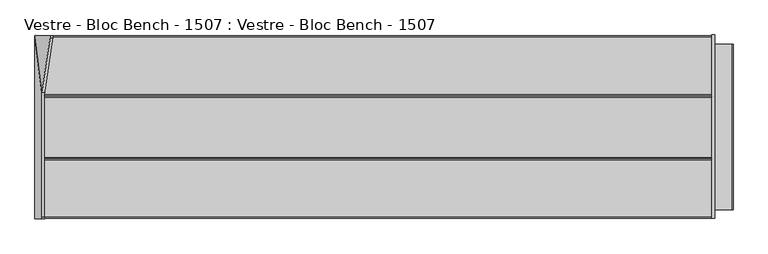
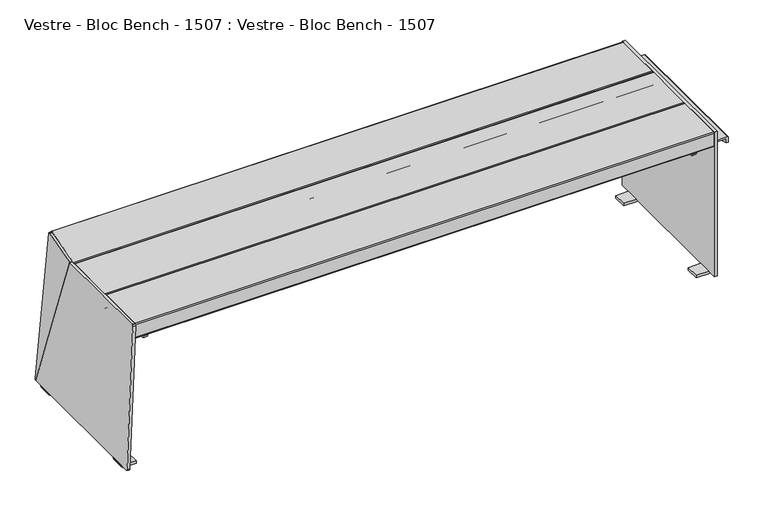
"""IFC4 building model written with IfcOpenShell, lengths in millimetres: furniture geometry, Vestre - Bloc Bench - 1507 : Vestre - Bloc Bench - 1507."""

from ifc_helpers import new_model, si_unit, point, frame, frame_2d, origin, place, context, project, spatial, polyline, circle_curve, ellipse_curve, trimmed, segment, composite_curve, outline, extrude, source, transform, mapped, element, save
from ifc_brep_helpers import plane_surface, cylinder_surface, revolved_surface, advanced_brep


def vestre_bloc_bench_1507_vestre_bloc_bench_1507_22fb252e(model_context):
    return source(origin(), model_context, "Body", "SolidModel", [
        advanced_brep(
        [(817.7140239, 205.3189256, 0.0), (817.7140239, 205.3189256, 8.0), (855.1742016, 205.3189256, 8.0), (863.1742016, 205.3189256, 8.0), (855.1744114, 205.3189256, 0.0002098), (817.7140239, 165.3189256, 0.0), (855.2323317, 165.3189256, 0.0), (863.1742016, 165.3189256, 8.0), (855.1742016, 165.3189256, 8.0), (817.7140239, 165.3189256, 8.0), (863.1742016, 235.8753492, 8.0), (863.1742016, 235.8753492, 458.0), (863.1742016, -233.5, 458.0), (863.1742016, -233.5, 8.0), (863.1742016, -205.3189256, 8.0), (863.1742016, -165.3189256, 8.0), (863.1742016, -211.5061851, 407.2390557), (863.1742016, -211.5061851, 413.2390557), (863.1742016, 211.5465998, 413.2390557), (863.1742016, 211.5465998, 407.2390557), (855.1742016, -165.3189256, 8.0), (855.1742016, -205.3189256, 8.0), (855.1742016, -233.5, 8.0), (855.1742016, -233.5, 458.0), (855.1742016, 235.8753492, 458.0), (855.1742016, 235.8753492, 8.0), (817.7140239, -205.3189256, 0.0), (855.2323317, -205.3189256, 0.0), (817.7140239, -205.3189256, 8.0), (817.7140239, -165.3189256, 0.0), (817.7140239, -165.3189256, 8.0), (855.1744114, -165.3189256, 0.0002098), (903.5361273, -211.5061851, 407.2390557), (903.5361273, -211.5061851, 395.1864554), (909.5701504, -211.5061851, 395.1864554), (909.5701504, -211.5061851, 409.2390557), (905.5701504, -211.5061851, 413.2390557), (905.5701504, 211.5465998, 413.2390557), (909.5701504, 211.5465998, 409.2390557), (909.5701504, 211.5465998, 395.1864554), (903.5361273, 211.5465998, 395.1864554), (903.5361273, 211.5465998, 407.2390557)],
        [
            (0, 1),
            (1, 2),
            (2, 3),
            (3, 4, circle_curve(frame((855.1744114, 205.3189256, 8.0), z_axis=(0.0, 1.0, 0.0), x_axis=(1.0, 0.0, 0.0)), 7.9997902)),
            (4, 0),
            (5, 6),
            (6, 7, circle_curve(frame((855.1744114, 165.3189256, 8.0), z_axis=(0.0, -1.0, 0.0), x_axis=(1.0, 0.0, 0.0)), 7.9997902)),
            (7, 8),
            (8, 9),
            (9, 5),
            (4, 6),
            (5, 0),
            (9, 1),
            (3, 7),
            (3, 10),
            (10, 11),
            (11, 12),
            (12, 13),
            (13, 14),
            (14, 15),
            (15, 7),
            (16, 17),
            (17, 18),
            (18, 19),
            (19, 16),
            (2, 8),
            (8, 20),
            (20, 21),
            (21, 22),
            (22, 23),
            (23, 24),
            (24, 25),
            (25, 2),
            (22, 13),
            (12, 23),
            (24, 11),
            (10, 25),
            (15, 20),
            (21, 14),
            (26, 27),
            (27, 14, circle_curve(frame((855.1744114, -205.3189256, 8.0), z_axis=(0.0, -1.0, 0.0), x_axis=(1.0, 0.0, 0.0)), 7.9997902)),
            (21, 28),
            (28, 26),
            (29, 30),
            (30, 20),
            (15, 31, circle_curve(frame((855.1744114, -165.3189256, 8.0), z_axis=(0.0, 1.0, 0.0), x_axis=(1.0, 0.0, 0.0)), 7.9997902)),
            (31, 29),
            (26, 29),
            (31, 27),
            (28, 30),
            (16, 32),
            (32, 33),
            (33, 34),
            (34, 35),
            (35, 36, circle_curve(frame((905.5701504, -211.5061851, 409.2390557), z_axis=(0.0, -1.0, 0.0), x_axis=(-1.0, 0.0, 0.0)), 4.0)),
            (36, 17),
            (18, 37),
            (37, 38, circle_curve(frame((905.5701504, 211.5465998, 409.2390557), z_axis=(0.0, 1.0, 0.0), x_axis=(-1.0, 0.0, 0.0)), 4.0)),
            (38, 39),
            (39, 40),
            (40, 41),
            (41, 19),
            (36, 37),
            (32, 41),
            (40, 33, circle_curve(frame((903.5361273, 0.0, 885.6145565), z_axis=(-1.0, 0.0, 0.0), x_axis=(0.0, -1.0, 0.0)), 534.0923035)),
            (35, 38),
            (34, 39, circle_curve(frame((909.5701504, 0.0, 885.6145565), z_axis=(1.0, 0.0, 0.0), x_axis=(0.0, -1.0, 0.0)), 534.0923035)),
        ],
        [
            plane_surface(frame((817.7140239, 205.3189256, 8.1544618), z_axis=(0.0, 1.0, 0.0), x_axis=(0.0, 0.0, 1.0))),
            plane_surface(frame((817.7140239, 165.3189256, 8.1544618), z_axis=(0.0, -1.0, 0.0), x_axis=(0.0, 0.0, -1.0))),
            plane_surface(frame((855.2323317, 205.3189256, 0.0), z_axis=(0.0, 0.0, -1.0), x_axis=(0.0, -1.0, 0.0))),
            plane_surface(frame((817.7140239, 205.3189256, 0.0), z_axis=(-1.0, 0.0, 0.0), x_axis=(0.0, -1.0, 0.0))),
            cylinder_surface(frame((855.1744114, 165.3189256, 8.0), z_axis=(0.0, 1.0, 0.0), x_axis=(1.0, 0.0, 0.0)), 7.9997902),
            plane_surface(frame((863.1742016, 205.3189256, 12.2663645), z_axis=(1.0, 0.0, 0.0), x_axis=(0.0, -1.0, 0.0))),
            plane_surface(frame((855.1742016, 205.3189256, 8.0), z_axis=(-1.0, 0.0, 0.0), x_axis=(0.0, -1.0, 0.0))),
            plane_surface(frame((817.7140239, 205.3189256, 8.0), z_axis=(0.0, 0.0, 1.0), x_axis=(0.0, -1.0, 0.0))),
            plane_surface(frame((855.1742016, -233.5, 8.0), z_axis=(0.0, -1.0, 0.0), x_axis=(1.0, 0.0, 0.0))),
            plane_surface(frame((855.1742016, 235.8753492, 8.0), z_axis=(0.0, 1.0, 0.0), x_axis=(-1.0, 0.0, 0.0))),
            plane_surface(frame((855.1742016, -233.5, 8.0), z_axis=(0.0, 0.0, -1.0), x_axis=(0.0, 1.0, 0.0))),
            plane_surface(frame((863.1742016, -233.5, 458.0), z_axis=(0.0, 0.0, 1.0), x_axis=(0.0, 1.0, 0.0))),
            plane_surface(frame((863.2280015, -205.3189256, 0.0), z_axis=(0.0, -1.0, 0.0), x_axis=(1.0, 0.0, 0.0))),
            plane_surface(frame((863.2280015, -165.3189256, 0.0), z_axis=(0.0, 1.0, 0.0), x_axis=(-1.0, 0.0, 0.0))),
            plane_surface(frame((817.7140239, -205.3189256, 0.0), z_axis=(0.0, 0.0, -1.0), x_axis=(0.0, 1.0, 0.0))),
            plane_surface(frame((817.7140239, -205.3189256, 8.0), z_axis=(-1.0, 0.0, 0.0), x_axis=(0.0, 1.0, 0.0))),
            cylinder_surface(frame((855.1744114, -165.3189256, 8.0), z_axis=(0.0, -1.0, 0.0), x_axis=(1.0, 0.0, 0.0)), 7.9997902),
            plane_surface(frame((855.1742016, -205.3189256, 8.0), z_axis=(0.0, 0.0, 1.0), x_axis=(0.0, 1.0, 0.0))),
            plane_surface(frame((903.5361273, -211.5061851, 407.2390557), z_axis=(0.0, -1.0, 0.0), x_axis=(1.0, 0.0, 0.0))),
            plane_surface(frame((903.5361273, 211.5465998, 407.2390557), z_axis=(0.0, 1.0, 0.0), x_axis=(-1.0, 0.0, 0.0))),
            plane_surface(frame((905.5701504, -211.5061851, 413.2390557), z_axis=(0.0, 0.0, 1.0), x_axis=(0.0, 1.0, 0.0))),
            plane_surface(frame((903.5361273, -211.5061851, 407.2390557), z_axis=(-1.0, 0.0, 0.0), x_axis=(0.0, 1.0, 0.0))),
            plane_surface(frame((863.1742016, -211.5061851, 407.2390557), z_axis=(0.0, 0.0, -1.0), x_axis=(0.0, 1.0, 0.0))),
            cylinder_surface(frame((905.5701504, 211.5465998, 409.2390557), z_axis=(0.0, -1.0, 0.0), x_axis=(-1.0, 0.0, 0.0)), 4.0),
            plane_surface(frame((909.5701504, -211.5061851, 403.7964194), z_axis=(1.0, 0.0, 0.0), x_axis=(0.0, 1.0, 0.0))),
            cylinder_surface(frame((909.5701504, 0.0, 885.6145565), z_axis=(-1.0, 0.0, 0.0), x_axis=(0.0, -1.0, 0.0)), 534.0923035),
        ],
        [
            (0, [[1, 2, 3, 4, 5]]),
            (1, [[6, 7, 8, 9, 10]]),
            (2, [[-5, 11, -6, 12]]),
            (3, [[-1, -12, -10, 13]]),
            (4, [[-4, 14, -7, -11]]),
            (5, [[-14, 15, 16, 17, 18, 19, 20, 21], [22, 23, 24, 25]]),
            (6, [[26, 27, 28, 29, 30, 31, 32, 33]]),
            (7, [[-2, -13, -9, -26]]),
            (8, [[34, -18, 35, -30]]),
            (9, [[-32, 36, -16, 37]]),
            (10, [[-8, -21, 38, -27]]),
            (10, [[-34, -29, 39, -19]]),
            (10, [[-37, -15, -3, -33]]),
            (11, [[-35, -17, -36, -31]]),
            (12, [[40, 41, -39, 42, 43]]),
            (13, [[44, 45, -38, 46, 47]]),
            (14, [[-40, 48, -47, 49]]),
            (15, [[-43, 50, -44, -48]]),
            (16, [[-41, -49, -46, -20]]),
            (17, [[-42, -28, -45, -50]]),
            (18, [[51, 52, 53, 54, 55, 56, -22]]),
            (19, [[57, 58, 59, 60, 61, 62, -24]]),
            (20, [[-56, 63, -57, -23]]),
            (21, [[-52, 64, -61, 65]]),
            (22, [[-64, -51, -25, -62]]),
            (23, [[-55, 66, -58, -63]]),
            (24, [[-59, -66, -54, 67]]),
            (25, [[-65, -60, -67, -53]]),
        ],
    ),
        advanced_brep(
        [(855.1742016, 79.3120206, 455.2390557), (855.1742016, 79.3120206, 416.2659543), (855.1742016, 82.3389192, 413.2390557), (855.1742016, 230.4780573, 413.2390557), (855.1742016, 233.5, 416.2609984), (855.1742016, 233.5, 455.2390557), (855.1742016, 230.5, 458.2390557), (855.1742016, 82.3120206, 458.2390557), (-854.1446179, 82.3120206, 458.2390557), (-854.5929709, 79.3120206, 455.2390557), (-831.997776, 230.5, 458.2390557), (-831.549423, 233.5, 455.2390557), (-831.549423, 233.5, 416.2609984), (-832.0010554, 230.4780573, 413.2390557), (-854.1405979, 82.3389192, 413.2390557), (-854.5929709, 79.3120206, 416.2659543)],
        [
            (0, 1),
            (1, 2, circle_curve(frame((855.1742016, 82.3389192, 416.2659543), z_axis=(1.0, 0.0, 0.0), x_axis=(0.0, 1.0, 0.0)), 3.0268986)),
            (2, 3),
            (3, 4, circle_curve(frame((855.1742016, 230.4780573, 416.2609984), z_axis=(1.0, 0.0, 0.0), x_axis=(0.0, 1.0, 0.0)), 3.0219427)),
            (4, 5),
            (5, 6, circle_curve(frame((855.1742016, 230.5, 455.2390557), z_axis=(1.0, 0.0, 0.0), x_axis=(0.0, 1.0, 0.0)), 3.0)),
            (6, 7),
            (7, 0, circle_curve(frame((855.1742016, 82.3120206, 455.2390557), z_axis=(1.0, 0.0, 0.0), x_axis=(0.0, 1.0, 0.0)), 3.0)),
            (7, 8),
            (8, 9, ellipse_curve(frame((-854.1446179, 82.3120206, 455.2390557), z_axis=(0.9890158633619177, -0.14780941112960583, 0.0), x_axis=(0.14780941112960394, 0.9890158633619178, 0.0)), 3.0333184, 3.0)),
            (9, 0),
            (6, 10),
            (10, 8),
            (5, 11),
            (11, 10, ellipse_curve(frame((-831.997776, 230.5, 455.2390557), z_axis=(0.9890158633619177, -0.14780941112960583, 0.0), x_axis=(0.14780941112960394, 0.9890158633619178, 0.0)), 3.0333184, 3.0)),
            (4, 12),
            (12, 11),
            (3, 13),
            (13, 12, ellipse_curve(frame((-832.0010554, 230.4780573, 416.2609984), z_axis=(0.9890158633619177, -0.14780941112960583, 0.0), x_axis=(0.14780941112960394, 0.9890158633619178, 0.0)), 3.0555048, 3.0219427)),
            (2, 14),
            (14, 13),
            (1, 15),
            (15, 14, ellipse_curve(frame((-854.1405979, 82.3389192, 416.2659543), z_axis=(0.9890158633619177, -0.14780941112960583, 0.0), x_axis=(0.14780941112960394, 0.9890158633619178, 0.0)), 3.0605157, 3.0268986)),
            (9, 15),
        ],
        [
            plane_surface(frame((855.1742016, 79.3120206, 416.2390557), z_axis=(1.0, 0.0, 0.0), x_axis=(0.0, 0.0, -1.0))),
            cylinder_surface(frame((-868.2084552, 82.3120206, 455.2390557), z_axis=(1.0, 0.0, 0.0), x_axis=(0.0, 1.0, 0.0)), 3.0),
            plane_surface(frame((855.1742016, 230.5, 458.2390557), z_axis=(0.0, 0.0, 1.0), x_axis=(-1.0, 0.0, 0.0))),
            cylinder_surface(frame((-868.2084552, 230.5, 455.2390557), z_axis=(1.0, 0.0, 0.0), x_axis=(0.0, 1.0, 0.0)), 3.0),
            plane_surface(frame((855.1742016, 233.5, 416.2609984), z_axis=(0.0, 1.0, 0.0), x_axis=(-1.0, 0.0, 0.0))),
            cylinder_surface(frame((-868.2084552, 230.4780573, 416.2609984), z_axis=(1.0, 0.0, 0.0), x_axis=(0.0, 1.0, 0.0)), 3.0219427),
            plane_surface(frame((855.1742016, 82.3389192, 413.2390557), z_axis=(0.0, 0.0, -1.0), x_axis=(-1.0, 0.0, 0.0))),
            cylinder_surface(frame((-868.2084552, 82.3389192, 416.2659543), z_axis=(1.0, 0.0, 0.0), x_axis=(0.0, 1.0, 0.0)), 3.0268986),
            plane_surface(frame((855.1742016, 79.3120206, 455.2390557), z_axis=(0.0, -1.0, 0.0), x_axis=(-1.0, 0.0, 0.0))),
            plane_surface(frame((-854.9897471, 76.6571294, 514.4914175), z_axis=(-0.9890158633619177, 0.14780941112960583, 0.0), x_axis=(0.0, 0.0, -1.0))),
        ],
        [
            (0, [[1, 2, 3, 4, 5, 6, 7, 8]]),
            (1, [[-8, 9, 10, 11]]),
            (2, [[-7, 12, 13, -9]]),
            (3, [[-6, 14, 15, -12]]),
            (4, [[-5, 16, 17, -14]]),
            (5, [[-4, 18, 19, -16]]),
            (6, [[-3, 20, 21, -18]]),
            (7, [[-2, 22, 23, -20]]),
            (8, [[-1, -11, 24, -22]]),
            (9, [[-10, -13, -15, -17, -19, -21, -23, -24]]),
        ],
    ),
        advanced_brep(
        [(803.457634, 211.5061851, 407.2390557), (803.457634, 211.5061851, 395.1864554), (803.457634, 208.0492713, 387.4220999), (803.457634, 0.0, 351.522253), (803.457634, -208.0492713, 387.4220999), (803.457634, -211.5061851, 395.1864554), (803.457634, -211.5061851, 407.2390557), (803.457634, 0.0, 407.2390557), (803.457634, -11.8592377, 366.3746227), (803.457634, -21.8592377, 366.3746227), (803.457634, 14.2571548, 390.0986559), (803.457634, 24.2571548, 390.0986559), (803.457634, 13.0401943, 377.5777405), (803.457634, -10.1221662, 377.5777405), (803.457634, 136.5858041, 385.4289802), (803.457634, 146.5858041, 385.4289802), (803.457634, -143.4141959, 385.4289802), (803.457634, -133.4141959, 385.4289802), (815.5256801, -211.5061851, 407.2390557), (815.5256801, -211.5061851, 395.1864554), (815.5256801, -208.0492713, 387.4220999), (815.5256801, 0.0, 351.522253), (815.5256801, 208.0492713, 387.4220999), (815.5256801, 211.5061851, 395.1864554), (815.5256801, 211.5061851, 407.2390557), (815.5256801, 0.0, 407.2390557), (815.5256801, -21.8592377, 366.3746227), (815.5256801, -11.8592377, 366.3746227), (815.5256801, 24.2571548, 390.0986559), (815.5256801, 14.2571548, 390.0986559), (815.5256801, -10.1221662, 377.5777405), (815.5256801, 13.0401943, 377.5777405), (815.5256801, 146.5858041, 385.4289802), (815.5256801, 136.5858041, 385.4289802), (815.5256801, -133.4141959, 385.4289802), (815.5256801, -143.4141959, 385.4289802), (763.0957082, 211.5061851, 407.2390557), (763.0957082, 211.5061851, 413.2390557), (805.4916571, 211.5061851, 413.2390557), (809.4916571, 211.5061851, 409.2390557), (813.4916571, 211.5061851, 413.2390557), (855.1742016, 211.5061851, 413.2390557), (855.1742016, 211.5061851, 407.2390557), (855.1742016, -211.5061851, 407.2390557), (855.1742016, -211.5061851, 413.2390557), (813.4916571, -211.5061851, 413.2390557), (809.4916571, -211.5061851, 409.2390557), (805.4916571, -211.5061851, 413.2390557), (763.0957082, -211.5061851, 413.2390557), (763.0957082, -211.5061851, 407.2390557)],
        [
            (0, 1),
            (1, 2),
            (2, 3, circle_curve(frame((803.457634, -11.7259436, 1040.277924), z_axis=(-1.0, 0.0, 0.0), x_axis=(0.0, -1.0, 0.0)), 688.8554798)),
            (3, 4, circle_curve(frame((803.457634, 11.7259436, 1040.277924), z_axis=(-1.0, 0.0, 0.0), x_axis=(0.0, 1.0, 0.0)), 688.8554798)),
            (4, 5),
            (5, 6),
            (6, 7),
            (7, 0),
            (8, 9, circle_curve(frame((803.457634, -16.8592377, 366.3746227), z_axis=(1.0, 0.0, 0.0), x_axis=(0.0, -1.0, 0.0)), 5.0)),
            (9, 8, circle_curve(frame((803.457634, -16.8592377, 366.3746227), z_axis=(1.0, 0.0, 0.0), x_axis=(0.0, -1.0, 0.0)), 5.0)),
            (10, 11, circle_curve(frame((803.457634, 19.2571548, 390.0986559), z_axis=(1.0, 0.0, 0.0), x_axis=(0.0, 1.0, 0.0)), 5.0)),
            (11, 10, circle_curve(frame((803.457634, 19.2571548, 390.0986559), z_axis=(1.0, 0.0, 0.0), x_axis=(0.0, 1.0, 0.0)), 5.0)),
            (12, 13, circle_curve(frame((803.457634, 1.459014, 377.5777405), z_axis=(1.0, 0.0, 0.0), x_axis=(0.0, -1.0, 0.0)), 11.5811802)),
            (13, 12, circle_curve(frame((803.457634, 1.459014, 377.5777405), z_axis=(1.0, 0.0, 0.0), x_axis=(0.0, -1.0, 0.0)), 11.5811802)),
            (14, 15, circle_curve(frame((803.457634, 141.5858041, 385.4289802), z_axis=(1.0, 0.0, 0.0), x_axis=(0.0, 1.0, 0.0)), 5.0)),
            (15, 14, circle_curve(frame((803.457634, 141.5858041, 385.4289802), z_axis=(1.0, 0.0, 0.0), x_axis=(0.0, 1.0, 0.0)), 5.0)),
            (16, 17, circle_curve(frame((803.457634, -138.4141959, 385.4289802), z_axis=(1.0, 0.0, 0.0), x_axis=(0.0, 1.0, 0.0)), 5.0)),
            (17, 16, circle_curve(frame((803.457634, -138.4141959, 385.4289802), z_axis=(1.0, 0.0, 0.0), x_axis=(0.0, 1.0, 0.0)), 5.0)),
            (18, 19),
            (19, 20),
            (20, 21, circle_curve(frame((815.5256801, 11.7259436, 1040.277924), z_axis=(1.0, 0.0, 0.0), x_axis=(0.0, 1.0, 0.0)), 688.8554798)),
            (21, 22, circle_curve(frame((815.5256801, -11.7259436, 1040.277924), z_axis=(1.0, 0.0, 0.0), x_axis=(0.0, -1.0, 0.0)), 688.8554798)),
            (22, 23),
            (23, 24),
            (24, 25),
            (25, 18),
            (26, 27, circle_curve(frame((815.5256801, -16.8592377, 366.3746227), z_axis=(-1.0, 0.0, 0.0), x_axis=(0.0, -1.0, 0.0)), 5.0)),
            (27, 26, circle_curve(frame((815.5256801, -16.8592377, 366.3746227), z_axis=(-1.0, 0.0, 0.0), x_axis=(0.0, -1.0, 0.0)), 5.0)),
            (28, 29, circle_curve(frame((815.5256801, 19.2571548, 390.0986559), z_axis=(-1.0, 0.0, 0.0), x_axis=(0.0, 1.0, 0.0)), 5.0)),
            (29, 28, circle_curve(frame((815.5256801, 19.2571548, 390.0986559), z_axis=(-1.0, 0.0, 0.0), x_axis=(0.0, 1.0, 0.0)), 5.0)),
            (30, 31, circle_curve(frame((815.5256801, 1.459014, 377.5777405), z_axis=(-1.0, 0.0, 0.0), x_axis=(0.0, -1.0, 0.0)), 11.5811802)),
            (31, 30, circle_curve(frame((815.5256801, 1.459014, 377.5777405), z_axis=(-1.0, 0.0, 0.0), x_axis=(0.0, -1.0, 0.0)), 11.5811802)),
            (32, 33, circle_curve(frame((815.5256801, 141.5858041, 385.4289802), z_axis=(-1.0, 0.0, 0.0), x_axis=(0.0, 1.0, 0.0)), 5.0)),
            (33, 32, circle_curve(frame((815.5256801, 141.5858041, 385.4289802), z_axis=(-1.0, 0.0, 0.0), x_axis=(0.0, 1.0, 0.0)), 5.0)),
            (34, 35, circle_curve(frame((815.5256801, -138.4141959, 385.4289802), z_axis=(-1.0, 0.0, 0.0), x_axis=(0.0, 1.0, 0.0)), 5.0)),
            (35, 34, circle_curve(frame((815.5256801, -138.4141959, 385.4289802), z_axis=(-1.0, 0.0, 0.0), x_axis=(0.0, 1.0, 0.0)), 5.0)),
            (23, 1),
            (0, 36),
            (36, 37),
            (37, 38),
            (38, 39, circle_curve(frame((805.4916571, 211.5061851, 409.2390557), z_axis=(0.0, 1.0, 0.0), x_axis=(-1.0, 0.0, 0.0)), 4.0)),
            (39, 40, circle_curve(frame((813.4916571, 211.5061851, 409.2390557), z_axis=(0.0, 1.0, 0.0), x_axis=(-1.0, 0.0, 0.0)), 4.0)),
            (40, 41),
            (41, 42),
            (42, 24),
            (5, 19),
            (18, 43),
            (43, 44),
            (44, 45),
            (45, 46, circle_curve(frame((813.4916571, -211.5061851, 409.2390557), z_axis=(0.0, -1.0, 0.0), x_axis=(-1.0, 0.0, 0.0)), 4.0)),
            (46, 47, circle_curve(frame((805.4916571, -211.5061851, 409.2390557), z_axis=(0.0, -1.0, 0.0), x_axis=(-1.0, 0.0, 0.0)), 4.0)),
            (47, 48),
            (48, 49),
            (49, 6),
            (4, 20),
            (22, 2),
            (3, 21),
            (26, 9),
            (8, 27),
            (28, 11),
            (10, 29),
            (30, 13),
            (12, 31),
            (32, 15),
            (14, 33),
            (34, 17),
            (16, 35),
            (48, 37),
            (36, 49),
            (47, 38),
            (43, 42),
            (41, 44),
            (46, 39),
            (45, 40),
        ],
        [
            plane_surface(frame((803.457634, 211.5061851, 395.1864554), z_axis=(-1.0, 0.0, 0.0), x_axis=(0.0, -0.4067366430758029, -0.9135454576425998))),
            plane_surface(frame((815.5256801, 211.5061851, 395.1864554), z_axis=(1.0, 0.0, 0.0), x_axis=(0.0, 0.4067366430758029, 0.9135454576425998))),
            plane_surface(frame((803.457634, 211.5061851, 407.2390557), z_axis=(0.0, 1.0, 0.0), x_axis=(1.0, 0.0, 0.0))),
            plane_surface(frame((803.457634, -211.5061851, 395.1864554), z_axis=(0.0, -1.0, 0.0), x_axis=(1.0, 0.0, 0.0))),
            plane_surface(frame((803.457634, -208.0492713, 387.4220999), z_axis=(0.0, -0.9135454576426094, -0.4067366430757813), x_axis=(1.0, 0.0, 0.0))),
            plane_surface(frame((803.457634, 211.5061851, 395.1864554), z_axis=(0.0, 0.9135454576425998, -0.4067366430758029), x_axis=(1.0, 0.0, 0.0))),
            cylinder_surface(frame((815.5256801, 11.7259436, 1040.277924), z_axis=(-1.0, 0.0, 0.0), x_axis=(0.0, 1.0, 0.0)), 688.8554798),
            cylinder_surface(frame((815.5256801, -11.7259436, 1040.277924), z_axis=(-1.0, 0.0, 0.0), x_axis=(0.0, -1.0, 0.0)), 688.8554798),
            revolved_surface(polyline([(803.457634, -21.8592377, 366.3746227), (815.5256801, -21.8592377, 366.3746227)]), (817.37376, -16.8592377, 366.3746227), (-1.0, 0.0, 0.0)),
            revolved_surface(polyline([(803.457634, 24.2571548, 390.0986559), (815.5256801, 24.2571548, 390.0986559)]), (0.0, 19.2571548, 390.0986559), (-1.0, 0.0, 0.0)),
            revolved_surface(polyline([(803.457634, -10.1221662, 377.5777405), (815.5256801, -10.1221662, 377.5777405)]), (0.0, 1.459014, 377.5777405), (-1.0, 0.0, 0.0)),
            revolved_surface(polyline([(803.457634, 146.5858041, 385.4289802), (815.5256801, 146.5858041, 385.4289802)]), (0.0, 141.5858041, 385.4289802), (-1.0, 0.0, 0.0)),
            revolved_surface(polyline([(803.457634, -133.4141959, 385.4289802), (815.5256801, -133.4141959, 385.4289802)]), (0.0, -138.4141959, 385.4289802), (-1.0, 0.0, 0.0)),
            plane_surface(frame((763.0957082, -211.5061851, 413.2390557), z_axis=(-1.0, 0.0, 0.0), x_axis=(0.0, 1.0, 0.0))),
            plane_surface(frame((805.4916571, -211.5061851, 413.2390557), z_axis=(0.0, 0.0, 1.0), x_axis=(0.0, 1.0, 0.0))),
            plane_surface(frame((855.1742016, -211.5061851, 407.2390557), z_axis=(1.0, 0.0, 0.0), x_axis=(0.0, 1.0, 0.0))),
            plane_surface(frame((815.5256801, -211.5061851, 407.2390557), z_axis=(0.0, 0.0, -1.0), x_axis=(0.0, 1.0, 0.0))),
            plane_surface(frame((763.0957082, -211.5061851, 407.2390557), z_axis=(0.0, 0.0, -1.0), x_axis=(0.0, 1.0, 0.0))),
            cylinder_surface(frame((805.4916571, 211.5465998, 409.2390557), z_axis=(0.0, -1.0, 0.0), x_axis=(-1.0, 0.0, 0.0)), 4.0),
            cylinder_surface(frame((813.4916571, 211.5465998, 409.2390557), z_axis=(0.0, -1.0, 0.0), x_axis=(-1.0, 0.0, 0.0)), 4.0),
            plane_surface(frame((855.1742016, -211.5061851, 413.2390557), z_axis=(0.0, 0.0, 1.0), x_axis=(0.0, 1.0, 0.0))),
        ],
        [
            (0, [[1, 2, 3, 4, 5, 6, 7, 8], [9, 10], [11, 12], [13, 14], [15, 16], [17, 18]]),
            (1, [[19, 20, 21, 22, 23, 24, 25, 26], [27, 28], [29, 30], [31, 32], [33, 34], [35, 36]]),
            (2, [[37, -1, 38, 39, 40, 41, 42, 43, 44, 45, -24]]),
            (3, [[46, -19, 47, 48, 49, 50, 51, 52, 53, 54, -6]]),
            (4, [[-5, 55, -20, -46]]),
            (5, [[-2, -37, -23, 56]]),
            (6, [[-4, 57, -21, -55]]),
            (7, [[-3, -56, -22, -57]]),
            (8, [[58, -9, 59, -27]]),
            (8, [[-58, -28, -59, -10]]),
            (9, [[60, -11, 61, -29]]),
            (9, [[-60, -30, -61, -12]]),
            (10, [[62, -13, 63, -31]]),
            (10, [[-62, -32, -63, -14]]),
            (11, [[64, -15, 65, -33]]),
            (11, [[-64, -34, -65, -16]]),
            (12, [[66, -17, 67, -35]]),
            (12, [[-66, -36, -67, -18]]),
            (13, [[-53, 68, -39, 69]]),
            (14, [[-52, 70, -40, -68]]),
            (15, [[-48, 71, -44, 72]]),
            (16, [[-47, -26, -25, -45, -71]]),
            (17, [[-54, -69, -38, -8, -7]]),
            (18, [[-51, 73, -41, -70]]),
            (19, [[-50, 74, -42, -73]]),
            (20, [[-49, -72, -43, -74]]),
        ],
    ),
        extrude(outline(polyline([(19.9098473, -209.4222712), (-20.5645425, -209.4222712), (-20.5645425, 210.5774609), (19.9098473, 210.5774609), (19.9098473, -209.4222712)])), frame((0.0, 0.0, 407.2390557), z_axis=(0.0, 0.0, 1.0), x_axis=(1.0, 0.0, 0.0)), (0.0, 0.0, 1.0), 6.0),
        extrude(outline(composite_curve([segment(polyline([(79.2691296, 455.2390557), (79.2691296, 416.2659543)]), True, "CONTINUOUS"), segment(trimmed(circle_curve(frame_2d((76.2422309, 416.2659543)), 3.0268986), [point((79.2691296, 416.2659543))], [point((76.2422309, 413.2390557))], False, "CARTESIAN"), True, "CONTINUOUS"), segment(polyline([(76.2422309, 413.2390557), (-77.8227214, 413.2390557)]), True, "CONTINUOUS"), segment(trimmed(circle_curve(frame_2d((-77.8227214, 416.2609984)), 3.0219427), [point((-77.8227214, 413.2390557))], [point((-80.8446641, 416.2609984))], False, "CARTESIAN"), True, "CONTINUOUS"), segment(polyline([(-80.8446641, 416.2609984), (-80.8446641, 455.2390557)]), True, "CONTINUOUS"), segment(trimmed(circle_curve(frame_2d((-77.8446641, 455.2390557)), 3.0), [point((-80.8446641, 455.2390557))], [point((-77.8446641, 458.2390557))], False, "CARTESIAN"), True, "CONTINUOUS"), segment(polyline([(-77.8446641, 458.2390557), (76.2691296, 458.2390557)]), True, "CONTINUOUS"), segment(trimmed(circle_curve(frame_2d((76.2691296, 455.2390557)), 3.0), [point((76.2691296, 458.2390557))], [point((79.2691296, 455.2390557))], False, "CARTESIAN"), True, "CONTINUOUS")], self_intersect=False)), frame((-853.4300581, 0.0, 0.0), z_axis=(1.0, 0.0, 0.0), x_axis=(0.0, 1.0, 0.0)), (0.0, 0.0, 1.0), 1708.6042596),
        extrude(outline(composite_curve([segment(polyline([(-80.8956385, 455.2390557), (-80.8956385, 416.2659543)]), True, "CONTINUOUS"), segment(trimmed(circle_curve(frame_2d((-83.9225371, 416.2659543)), 3.0268986), [point((-80.8956385, 416.2659543))], [point((-83.9225371, 413.2390557))], False, "CARTESIAN"), True, "CONTINUOUS"), segment(polyline([(-83.9225371, 413.2390557), (-230.4780573, 413.2390557)]), True, "CONTINUOUS"), segment(trimmed(circle_curve(frame_2d((-230.4780573, 416.2609984)), 3.0219427), [point((-230.4780573, 413.2390557))], [point((-233.5, 416.2609984))], False, "CARTESIAN"), True, "CONTINUOUS"), segment(polyline([(-233.5, 416.2609984), (-233.5, 455.2390557)]), True, "CONTINUOUS"), segment(trimmed(circle_curve(frame_2d((-230.5, 455.2390557)), 3.0), [point((-233.5, 455.2390557))], [point((-230.5, 458.2390557))], False, "CARTESIAN"), True, "CONTINUOUS"), segment(polyline([(-230.5, 458.2390557), (-83.8956385, 458.2390557)]), True, "CONTINUOUS"), segment(trimmed(circle_curve(frame_2d((-83.8956385, 455.2390557)), 3.0), [point((-83.8956385, 458.2390557))], [point((-80.8956385, 455.2390557))], False, "CARTESIAN"), True, "CONTINUOUS")], self_intersect=False)), frame((-853.4300581, 0.0, 0.0), z_axis=(1.0, 0.0, 0.0), x_axis=(0.0, 1.0, 0.0)), (0.0, 0.0, 1.0), 1708.6042596),
        advanced_brep(
        [(-878.9375895, -205.3189256, 9.5095868), (-878.9375895, -205.3189256, 7.9956698), (-870.9419197, -205.3189256, 0.0), (-835.275104, -205.3189256, 0.0), (-835.275104, -205.3189256, 7.6306711), (-870.2217118, -205.3189256, 7.6306711), (-870.9436757, -205.3189256, 8.3526351), (-870.9436757, -205.3189256, 9.1975895), (-870.9436757, -165.3189256, 9.1975895), (-870.9436757, -165.3189256, 8.3526351), (-870.2217118, -165.3189256, 7.6306711), (-835.275104, -165.3189256, 7.6306711), (-835.275104, -165.3189256, 0.0), (-870.9419197, -165.3189256, 0.0), (-878.9375895, -165.3189256, 7.9956698), (-878.9375895, -165.3189256, 9.5095868), (-870.9436757, 165.3189256, 9.1975895), (-870.9436757, 205.3189256, 9.1975895), (-870.9436757, 232.7405844, 9.1975895), (-853.4300581, 87.4715013, 457.9270585), (-853.4300581, -231.3189256, 457.9270585), (-853.5860567, -235.3189256, 453.9301016), (-870.7876771, -235.3189256, 13.1945464), (-870.9436757, -231.3189256, 9.1975895), (-878.9375895, -231.3189256, 9.5095868), (-878.7815909, -235.3189256, 13.5065437), (-861.5799705, -235.3189256, 454.2420988), (-861.4239718, -231.3189256, 458.2390557), (-861.4239718, 87.4715013, 458.2390557), (-878.9375895, 232.7405844, 9.5095868), (-878.9375895, 205.3189256, 9.5095868), (-878.9375895, 165.3189256, 9.5095868), (-870.9436757, 205.3189256, 8.3526351), (-870.2217118, 205.3189256, 7.6306711), (-835.275104, 205.3189256, 7.6306711), (-835.275104, 205.3189256, 0.0), (-870.9419197, 205.3189256, 0.0), (-878.9375895, 205.3189256, 7.9956698), (-878.9375895, 165.3189256, 7.9956698), (-870.9419197, 165.3189256, 0.0), (-835.275104, 165.3189256, 0.0), (-835.275104, 165.3189256, 7.6306711), (-870.2217118, 165.3189256, 7.6306711), (-870.9436757, 165.3189256, 8.3526351)],
        [
            (0, 1),
            (1, 2, circle_curve(frame((-870.9419197, -205.3189256, 7.9956698), z_axis=(0.0, -1.0, 0.0), x_axis=(1.0, 0.0, 0.0)), 7.9956698)),
            (2, 3),
            (3, 4),
            (4, 5),
            (5, 6, circle_curve(frame((-870.2217118, -205.3189256, 8.3526351), z_axis=(0.0, 1.0, 0.0), x_axis=(1.0, 0.0, 0.0)), 0.721964)),
            (6, 7),
            (7, 0),
            (8, 9),
            (9, 10, circle_curve(frame((-870.2217118, -165.3189256, 8.3526351), z_axis=(0.0, -1.0, 0.0), x_axis=(1.0, 0.0, 0.0)), 0.721964)),
            (10, 11),
            (11, 12),
            (12, 13),
            (13, 14, circle_curve(frame((-870.9419197, -165.3189256, 7.9956698), z_axis=(0.0, 1.0, 0.0), x_axis=(1.0, 0.0, 0.0)), 7.9956698)),
            (14, 15),
            (15, 8),
            (0, 15),
            (14, 1),
            (2, 13),
            (12, 3),
            (11, 4),
            (10, 5),
            (6, 9),
            (8, 7),
            (8, 16),
            (16, 17),
            (17, 18),
            (18, 19),
            (19, 20),
            (20, 21, circle_curve(frame((-853.5860567, -231.3189256, 453.9301016), z_axis=(0.9992392241287592, 0.0, -0.038999653364553986), x_axis=(0.038999653364553986, 0.0, 0.9992392241287592)), 4.0)),
            (21, 22),
            (22, 23, circle_curve(frame((-870.7876771, -231.3189256, 13.1945464), z_axis=(0.9992392241287592, 0.0, -0.038999653364553986), x_axis=(0.038999653364553986, 0.0, 0.9992392241287592)), 4.0)),
            (23, 7),
            (0, 24),
            (24, 25, circle_curve(frame((-878.7815909, -231.3189256, 13.5065437), z_axis=(-0.9992392241287592, 0.0, 0.038999653364553986), x_axis=(0.038999653364553986, 0.0, 0.9992392241287592)), 4.0)),
            (25, 26),
            (26, 27, circle_curve(frame((-861.5799705, -231.3189256, 454.2420988), z_axis=(-0.9992392241287592, 0.0, 0.038999653364553986), x_axis=(0.038999653364553986, 0.0, 0.9992392241287592)), 4.0)),
            (27, 28),
            (28, 29),
            (29, 30),
            (30, 31),
            (31, 15),
            (28, 19),
            (18, 29),
            (31, 16),
            (17, 30),
            (23, 24),
            (22, 25),
            (21, 26),
            (20, 27),
            (17, 32),
            (32, 33, circle_curve(frame((-870.2217118, 205.3189256, 8.3526351), z_axis=(0.0, -1.0, 0.0), x_axis=(1.0, 0.0, 0.0)), 0.721964)),
            (33, 34),
            (34, 35),
            (35, 36),
            (36, 37, circle_curve(frame((-870.9419197, 205.3189256, 7.9956698), z_axis=(0.0, 1.0, 0.0), x_axis=(1.0, 0.0, 0.0)), 7.9956698)),
            (37, 30),
            (31, 38),
            (38, 39, circle_curve(frame((-870.9419197, 165.3189256, 7.9956698), z_axis=(0.0, -1.0, 0.0), x_axis=(1.0, 0.0, 0.0)), 7.9956698)),
            (39, 40),
            (40, 41),
            (41, 42),
            (42, 43, circle_curve(frame((-870.2217118, 165.3189256, 8.3526351), z_axis=(0.0, 1.0, 0.0), x_axis=(1.0, 0.0, 0.0)), 0.721964)),
            (43, 16),
            (37, 38),
            (35, 40),
            (39, 36),
            (34, 41),
            (33, 42),
            (43, 32),
        ],
        [
            plane_surface(frame((-878.9375895, -205.3189256, 9.5095868), z_axis=(0.0, -1.0, 0.0), x_axis=(0.0, 0.0, -1.0))),
            plane_surface(frame((-878.9375895, -165.3189256, 9.5095868), z_axis=(0.0, 1.0, 0.0), x_axis=(0.0, 0.0, 1.0))),
            plane_surface(frame((-878.9375895, -205.3189256, 9.5095868), z_axis=(-1.0, 0.0, 0.0), x_axis=(0.0, 1.0, 0.0))),
            plane_surface(frame((-870.9419197, -205.3189256, 0.0), z_axis=(0.0, 0.0, -1.0), x_axis=(0.0, 1.0, 0.0))),
            plane_surface(frame((-835.275104, -205.3189256, 0.0), z_axis=(1.0, 0.0, 0.0), x_axis=(0.0, 1.0, 0.0))),
            plane_surface(frame((-835.275104, -205.3189256, 7.6306711), z_axis=(0.0, 0.0, 1.0), x_axis=(0.0, 1.0, 0.0))),
            plane_surface(frame((-870.9436757, -205.3189256, 8.3526351), z_axis=(1.0, 0.0, 0.0), x_axis=(0.0, 1.0, 0.0))),
            plane_surface(frame((-870.9436757, -205.3189256, 9.1975895), z_axis=(0.9992392241287601, 0.0, -0.03899965336453338), x_axis=(0.0, 1.0, 0.0))),
            plane_surface(frame((-878.8299943, -205.3189256, 12.2663645), z_axis=(-0.999239224128761, 0.0, 0.038999653364509855), x_axis=(0.0, 1.0, 0.0))),
            plane_surface(frame((-861.4239718, 87.4715013, 458.2390557), z_axis=(0.012003490940997851, 0.9514560777774648, 0.30755039955355695), x_axis=(0.9992392241287592, 0.0, -0.038999653364555555))),
            plane_surface(frame((-878.9375895, 232.7405844, 9.5095868), z_axis=(-0.038999653364553966, 0.0, -0.9992392241287592), x_axis=(0.9992392241287592, 0.0, -0.038999653364553966))),
            cylinder_surface(frame((-870.7876771, -231.3189256, 13.1945464), z_axis=(-0.9992392241287592, 0.0, 0.038999653364553986), x_axis=(0.038999653364553986, 0.0, 0.9992392241287592)), 4.0),
            plane_surface(frame((-878.7815909, -235.3189256, 13.5065437), z_axis=(0.0, -1.0, 0.0), x_axis=(0.9992392241287592, 0.0, -0.038999653364553966))),
            cylinder_surface(frame((-853.5860567, -231.3189256, 453.9301016), z_axis=(-0.9992392241287592, 0.0, 0.038999653364553986), x_axis=(0.038999653364553986, 0.0, 0.9992392241287592)), 4.0),
            plane_surface(frame((-861.4239718, -231.3189256, 458.2390557), z_axis=(0.038999653364555555, 0.0, 0.9992392241287592), x_axis=(0.9992392241287592, 0.0, -0.038999653364555555))),
            cylinder_surface(frame((-870.9419197, -165.3189256, 7.9956698), z_axis=(0.0, -1.0, 0.0), x_axis=(1.0, 0.0, 0.0)), 7.9956698),
            revolved_surface(polyline([(-869.4997478, -165.3189256, 8.3526351), (-869.4997478, -205.3189256, 8.3526351)]), (-870.2217118, -165.3189256, 8.3526351), (0.0, 1.0, 0.0)),
            plane_surface(frame((-878.8178172, 205.3189256, 12.5783617), z_axis=(0.0, 1.0, 0.0), x_axis=(0.038999653364509855, 0.0, 0.999239224128761))),
            plane_surface(frame((-878.8178172, 165.3189256, 12.5783617), z_axis=(0.0, -1.0, 0.0), x_axis=(-0.038999653364509855, 0.0, -0.999239224128761))),
            plane_surface(frame((-878.9375895, 205.3189256, 7.9956698), z_axis=(-1.0, 0.0, 0.0), x_axis=(0.0, -1.0, 0.0))),
            plane_surface(frame((-835.275104, 205.3189256, 0.0), z_axis=(0.0, 0.0, -1.0), x_axis=(0.0, -1.0, 0.0))),
            plane_surface(frame((-835.275104, 205.3189256, 7.6306711), z_axis=(1.0, 0.0, 0.0), x_axis=(0.0, -1.0, 0.0))),
            plane_surface(frame((-870.2217118, 205.3189256, 7.6306711), z_axis=(0.0, 0.0, 1.0), x_axis=(0.0, -1.0, 0.0))),
            plane_surface(frame((-870.9436757, 205.3189256, 9.1975895), z_axis=(1.0, 0.0, 0.0), x_axis=(0.0, -1.0, 0.0))),
            cylinder_surface(frame((-870.9419197, 165.3189256, 7.9956698), z_axis=(0.0, 1.0, 0.0), x_axis=(1.0, 0.0, 0.0)), 7.9956698),
            revolved_surface(polyline([(-869.4997478, 165.3189256, 8.3526351), (-869.4997478, 205.3189256, 8.3526351)]), (-870.2217118, 165.3189256, 8.3526351), (0.0, -1.0, 0.0)),
        ],
        [
            (0, [[1, 2, 3, 4, 5, 6, 7, 8]]),
            (1, [[9, 10, 11, 12, 13, 14, 15, 16]]),
            (2, [[-1, 17, -15, 18]]),
            (3, [[-3, 19, -13, 20]]),
            (4, [[-4, -20, -12, 21]]),
            (5, [[-5, -21, -11, 22]]),
            (6, [[-7, 23, -9, 24]]),
            (7, [[-24, 25, 26, 27, 28, 29, 30, 31, 32, 33]]),
            (8, [[-17, 34, 35, 36, 37, 38, 39, 40, 41, 42]]),
            (9, [[-39, 43, -28, 44]]),
            (10, [[-42, 45, -25, -16]]),
            (10, [[-44, -27, 46, -40]]),
            (10, [[47, -34, -8, -33]]),
            (11, [[-35, -47, -32, 48]]),
            (12, [[-36, -48, -31, 49]]),
            (13, [[-37, -49, -30, 50]]),
            (14, [[-38, -50, -29, -43]]),
            (15, [[-2, -18, -14, -19]]),
            (16, [[-6, -22, -10, -23]]),
            (17, [[51, 52, 53, 54, 55, 56, 57, -46]]),
            (18, [[58, 59, 60, 61, 62, 63, 64, -45]]),
            (19, [[-57, 65, -58, -41]]),
            (20, [[-55, 66, -60, 67]]),
            (21, [[-54, 68, -61, -66]]),
            (22, [[-53, 69, -62, -68]]),
            (23, [[-51, -26, -64, 70]]),
            (24, [[-56, -67, -59, -65]]),
            (25, [[-52, -70, -63, -69]]),
        ],
    ),
        extrude(outline(polyline([(90.756685, 386.8986812), (88.7566863, 388.8986812), (88.7566863, 405.2390557), (90.756685, 407.2390557), (126.5317546, 407.2390557), (128.5317534, 405.2390557), (128.5317534, 388.8986812), (126.5317546, 386.8986812), (90.756685, 386.8986812)])), frame((-803.457634, 0.0, 0.0), z_axis=(1.0, 0.0, 0.0), x_axis=(0.0, 1.0, 0.0)), (0.0, 0.0, 1.0), 1605.9989754),
        extrude(outline(polyline([(-89.4683352, 386.8136339), (-125.4676889, 386.8136339), (-127.4676877, 388.8136339), (-127.4676877, 405.2390557), (-125.4676889, 407.2390557), (-89.4683352, 407.2390557), (-87.4683365, 405.2390557), (-87.4683365, 388.8136339), (-89.4683352, 386.8136339)])), frame((-803.457634, 0.0, 0.0), z_axis=(1.0, 0.0, 0.0), x_axis=(0.0, 1.0, 0.0)), (0.0, 0.0, 1.0), 1605.9989754),
        advanced_brep(
        [(-803.457634, -211.5061851, 407.2390557), (-803.457634, -211.5061851, 395.1864554), (-803.457634, -208.0492713, 387.4220999), (-803.457634, 0.0, 351.522253), (-803.457634, 208.0492713, 387.4220999), (-803.457634, 211.5061851, 395.1864554), (-803.457634, 211.5061851, 407.2390557), (-803.457634, 0.0, 407.2390557), (-803.457634, -21.8592377, 366.3746227), (-803.457634, -11.8592377, 366.3746227), (-803.457634, 24.2571548, 390.0986559), (-803.457634, 14.2571548, 390.0986559), (-803.457634, -10.1221662, 377.5777405), (-803.457634, 13.0401943, 377.5777405), (-803.457634, 146.5858041, 385.4289802), (-803.457634, 136.5858041, 385.4289802), (-803.457634, -133.4141959, 385.4289802), (-803.457634, -143.4141959, 385.4289802), (-815.5256801, 211.5061851, 407.2390557), (-815.5256801, 211.5061851, 395.1864554), (-815.5256801, 208.0492713, 387.4220999), (-815.5256801, 0.0, 351.522253), (-815.5256801, -208.0492713, 387.4220999), (-815.5256801, -211.5061851, 395.1864554), (-815.5256801, -211.5061851, 407.2390557), (-815.5256801, 0.0, 407.2390557), (-815.5256801, -11.8592377, 366.3746227), (-815.5256801, -21.8592377, 366.3746227), (-815.5256801, 14.2571548, 390.0986559), (-815.5256801, 24.2571548, 390.0986559), (-815.5256801, 13.0401943, 377.5777405), (-815.5256801, -10.1221662, 377.5777405), (-815.5256801, 136.5858041, 385.4289802), (-815.5256801, 146.5858041, 385.4289802), (-815.5256801, -143.4141959, 385.4289802), (-815.5256801, -133.4141959, 385.4289802), (-834.8303807, 211.5061851, 407.2390557), (-834.8303807, 211.5061851, 413.2390557), (-813.4916571, 211.5061851, 413.2390557), (-809.4916571, 211.5061851, 409.2390557), (-805.4916571, 211.5061851, 413.2390557), (-763.0957082, 211.5061851, 413.2390557), (-763.0957082, 211.5061851, 407.2390557), (-763.0957082, -211.5061851, 407.2390557), (-763.0957082, -211.5061851, 413.2390557), (-805.4916571, -211.5061851, 413.2390557), (-809.4916571, -211.5061851, 409.2390557), (-813.4916571, -211.5061851, 413.2390557), (-855.1742016, -211.5061851, 413.2390557), (-855.1742016, -211.5061851, 407.2390557), (-855.1742016, 76.6571294, 413.2390557), (-855.1742016, 76.6571294, 407.2390557), (-854.9897471, 76.6571294, 407.2390557), (-854.9897471, 76.6571294, 413.2390557)],
        [
            (0, 1),
            (1, 2),
            (2, 3, circle_curve(frame((-803.457634, 11.7259436, 1040.277924), z_axis=(1.0, 0.0, 0.0), x_axis=(0.0, 1.0, 0.0)), 688.8554798)),
            (3, 4, circle_curve(frame((-803.457634, -11.7259436, 1040.277924), z_axis=(1.0, 0.0, 0.0), x_axis=(0.0, -1.0, 0.0)), 688.8554798)),
            (4, 5),
            (5, 6),
            (6, 7),
            (7, 0),
            (8, 9, circle_curve(frame((-803.457634, -16.8592377, 366.3746227), z_axis=(-1.0, 0.0, 0.0), x_axis=(0.0, -1.0, 0.0)), 5.0)),
            (9, 8, circle_curve(frame((-803.457634, -16.8592377, 366.3746227), z_axis=(-1.0, 0.0, 0.0), x_axis=(0.0, -1.0, 0.0)), 5.0)),
            (10, 11, circle_curve(frame((-803.457634, 19.2571548, 390.0986559), z_axis=(-1.0, 0.0, 0.0), x_axis=(0.0, 1.0, 0.0)), 5.0)),
            (11, 10, circle_curve(frame((-803.457634, 19.2571548, 390.0986559), z_axis=(-1.0, 0.0, 0.0), x_axis=(0.0, 1.0, 0.0)), 5.0)),
            (12, 13, circle_curve(frame((-803.457634, 1.459014, 377.5777405), z_axis=(-1.0, 0.0, 0.0), x_axis=(0.0, -1.0, 0.0)), 11.5811802)),
            (13, 12, circle_curve(frame((-803.457634, 1.459014, 377.5777405), z_axis=(-1.0, 0.0, 0.0), x_axis=(0.0, -1.0, 0.0)), 11.5811802)),
            (14, 15, circle_curve(frame((-803.457634, 141.5858041, 385.4289802), z_axis=(-1.0, 0.0, 0.0), x_axis=(0.0, 1.0, 0.0)), 5.0)),
            (15, 14, circle_curve(frame((-803.457634, 141.5858041, 385.4289802), z_axis=(-1.0, 0.0, 0.0), x_axis=(0.0, 1.0, 0.0)), 5.0)),
            (16, 17, circle_curve(frame((-803.457634, -138.4141959, 385.4289802), z_axis=(-1.0, 0.0, 0.0), x_axis=(0.0, 1.0, 0.0)), 5.0)),
            (17, 16, circle_curve(frame((-803.457634, -138.4141959, 385.4289802), z_axis=(-1.0, 0.0, 0.0), x_axis=(0.0, 1.0, 0.0)), 5.0)),
            (18, 19),
            (19, 20),
            (20, 21, circle_curve(frame((-815.5256801, -11.7259436, 1040.277924), z_axis=(-1.0, 0.0, 0.0), x_axis=(0.0, -1.0, 0.0)), 688.8554798)),
            (21, 22, circle_curve(frame((-815.5256801, 11.7259436, 1040.277924), z_axis=(-1.0, 0.0, 0.0), x_axis=(0.0, 1.0, 0.0)), 688.8554798)),
            (22, 23),
            (23, 24),
            (24, 25),
            (25, 18),
            (26, 27, circle_curve(frame((-815.5256801, -16.8592377, 366.3746227), z_axis=(1.0, 0.0, 0.0), x_axis=(0.0, -1.0, 0.0)), 5.0)),
            (27, 26, circle_curve(frame((-815.5256801, -16.8592377, 366.3746227), z_axis=(1.0, 0.0, 0.0), x_axis=(0.0, -1.0, 0.0)), 5.0)),
            (28, 29, circle_curve(frame((-815.5256801, 19.2571548, 390.0986559), z_axis=(1.0, 0.0, 0.0), x_axis=(0.0, 1.0, 0.0)), 5.0)),
            (29, 28, circle_curve(frame((-815.5256801, 19.2571548, 390.0986559), z_axis=(1.0, 0.0, 0.0), x_axis=(0.0, 1.0, 0.0)), 5.0)),
            (30, 31, circle_curve(frame((-815.5256801, 1.459014, 377.5777405), z_axis=(1.0, 0.0, 0.0), x_axis=(0.0, -1.0, 0.0)), 11.5811802)),
            (31, 30, circle_curve(frame((-815.5256801, 1.459014, 377.5777405), z_axis=(1.0, 0.0, 0.0), x_axis=(0.0, -1.0, 0.0)), 11.5811802)),
            (32, 33, circle_curve(frame((-815.5256801, 141.5858041, 385.4289802), z_axis=(1.0, 0.0, 0.0), x_axis=(0.0, 1.0, 0.0)), 5.0)),
            (33, 32, circle_curve(frame((-815.5256801, 141.5858041, 385.4289802), z_axis=(1.0, 0.0, 0.0), x_axis=(0.0, 1.0, 0.0)), 5.0)),
            (34, 35, circle_curve(frame((-815.5256801, -138.4141959, 385.4289802), z_axis=(1.0, 0.0, 0.0), x_axis=(0.0, 1.0, 0.0)), 5.0)),
            (35, 34, circle_curve(frame((-815.5256801, -138.4141959, 385.4289802), z_axis=(1.0, 0.0, 0.0), x_axis=(0.0, 1.0, 0.0)), 5.0)),
            (5, 19),
            (18, 36),
            (36, 37),
            (37, 38),
            (38, 39, circle_curve(frame((-813.4916571, 211.5061851, 409.2390557), z_axis=(0.0, 1.0, 0.0), x_axis=(1.0, 0.0, 0.0)), 4.0)),
            (39, 40, circle_curve(frame((-805.4916571, 211.5061851, 409.2390557), z_axis=(0.0, 1.0, 0.0), x_axis=(1.0, 0.0, 0.0)), 4.0)),
            (40, 41),
            (41, 42),
            (42, 6),
            (23, 1),
            (0, 43),
            (43, 44),
            (44, 45),
            (45, 46, circle_curve(frame((-805.4916571, -211.5061851, 409.2390557), z_axis=(0.0, -1.0, 0.0), x_axis=(1.0, 0.0, 0.0)), 4.0)),
            (46, 47, circle_curve(frame((-813.4916571, -211.5061851, 409.2390557), z_axis=(0.0, -1.0, 0.0), x_axis=(1.0, 0.0, 0.0)), 4.0)),
            (47, 48),
            (48, 49),
            (49, 24),
            (22, 2),
            (4, 20),
            (21, 3),
            (26, 9),
            (8, 27),
            (28, 11),
            (10, 29),
            (30, 13),
            (12, 31),
            (32, 15),
            (14, 33),
            (34, 17),
            (16, 35),
            (43, 42),
            (41, 44),
            (40, 45),
            (48, 50),
            (50, 51),
            (51, 49),
            (51, 52),
            (52, 36),
            (39, 46),
            (38, 47),
            (37, 53),
            (53, 50),
            (52, 53),
        ],
        [
            plane_surface(frame((-803.457634, 211.5061851, 407.2390557), z_axis=(1.0, 0.0, 0.0), x_axis=(0.0, 0.0, 1.0))),
            plane_surface(frame((-815.5256801, 211.5061851, 407.2390557), z_axis=(-1.0, 0.0, 0.0), x_axis=(0.0, 0.0, -1.0))),
            plane_surface(frame((-803.457634, 211.5061851, 395.1864554), z_axis=(0.0, 1.0, 0.0), x_axis=(-1.0, 0.0, 0.0))),
            plane_surface(frame((-803.457634, -211.5061851, 407.2390557), z_axis=(0.0, -1.0, 0.0), x_axis=(-1.0, 0.0, 0.0))),
            plane_surface(frame((-803.457634, -211.5061851, 395.1864554), z_axis=(0.0, -0.9135454576426094, -0.4067366430757813), x_axis=(-1.0, 0.0, 0.0))),
            plane_surface(frame((-803.457634, 208.0492713, 387.4220999), z_axis=(0.0, 0.9135454576425998, -0.4067366430758029), x_axis=(-1.0, 0.0, 0.0))),
            cylinder_surface(frame((-815.5256801, 11.7259436, 1040.277924), z_axis=(1.0, 0.0, 0.0), x_axis=(0.0, 1.0, 0.0)), 688.8554798),
            cylinder_surface(frame((-815.5256801, -11.7259436, 1040.277924), z_axis=(1.0, 0.0, 0.0), x_axis=(0.0, -1.0, 0.0)), 688.8554798),
            revolved_surface(polyline([(-803.457634, -21.8592377, 366.3746227), (-815.5256801, -21.8592377, 366.3746227)]), (-817.37376, -16.8592377, 366.3746227), (1.0, 0.0, 0.0)),
            revolved_surface(polyline([(-803.457634, 24.2571548, 390.0986559), (-815.5256801, 24.2571548, 390.0986559)]), (0.0, 19.2571548, 390.0986559), (1.0, 0.0, 0.0)),
            revolved_surface(polyline([(-803.457634, -10.1221662, 377.5777405), (-815.5256801, -10.1221662, 377.5777405)]), (0.0, 1.459014, 377.5777405), (1.0, 0.0, 0.0)),
            revolved_surface(polyline([(-803.457634, 146.5858041, 385.4289802), (-815.5256801, 146.5858041, 385.4289802)]), (0.0, 141.5858041, 385.4289802), (1.0, 0.0, 0.0)),
            revolved_surface(polyline([(-803.457634, -133.4141959, 385.4289802), (-815.5256801, -133.4141959, 385.4289802)]), (0.0, -138.4141959, 385.4289802), (1.0, 0.0, 0.0)),
            plane_surface(frame((-763.0957082, -211.5061851, 407.2390557), z_axis=(1.0, 0.0, 0.0), x_axis=(0.0, 1.0, 0.0))),
            plane_surface(frame((-763.0957082, -211.5061851, 413.2390557), z_axis=(0.0, 0.0, 1.0), x_axis=(0.0, 1.0, 0.0))),
            plane_surface(frame((-855.1742016, -211.5061851, 413.2390557), z_axis=(-1.0, 0.0, 0.0), x_axis=(0.0, 1.0, 0.0))),
            plane_surface(frame((-855.1742016, -211.5061851, 407.2390557), z_axis=(0.0, 0.0, -1.0), x_axis=(0.0, 1.0, 0.0))),
            plane_surface(frame((-803.457634, -211.5061851, 407.2390557), z_axis=(0.0, 0.0, -1.0), x_axis=(0.0, 1.0, 0.0))),
            cylinder_surface(frame((-805.4916571, 211.5465998, 409.2390557), z_axis=(0.0, -1.0, 0.0), x_axis=(1.0, 0.0, 0.0)), 4.0),
            cylinder_surface(frame((-813.4916571, 211.5465998, 409.2390557), z_axis=(0.0, -1.0, 0.0), x_axis=(1.0, 0.0, 0.0)), 4.0),
            plane_surface(frame((-813.4916571, -211.5061851, 413.2390557), z_axis=(0.0, 0.0, 1.0), x_axis=(0.0, 1.0, 0.0))),
            plane_surface(frame((-854.9897471, 76.6571294, 514.4914175), z_axis=(-0.9890158633619177, 0.14780941112960583, 0.0), x_axis=(0.0, 0.0, -1.0))),
            plane_surface(frame((-897.2548793, 76.6571294, 514.4914175), z_axis=(0.0, 1.0, 0.0), x_axis=(0.0, 0.0, -1.0))),
        ],
        [
            (0, [[1, 2, 3, 4, 5, 6, 7, 8], [9, 10], [11, 12], [13, 14], [15, 16], [17, 18]]),
            (1, [[19, 20, 21, 22, 23, 24, 25, 26], [27, 28], [29, 30], [31, 32], [33, 34], [35, 36]]),
            (2, [[37, -19, 38, 39, 40, 41, 42, 43, 44, 45, -6]]),
            (3, [[46, -1, 47, 48, 49, 50, 51, 52, 53, 54, -24]]),
            (4, [[-2, -46, -23, 55]]),
            (5, [[-5, 56, -20, -37]]),
            (6, [[-3, -55, -22, 57]]),
            (7, [[-4, -57, -21, -56]]),
            (8, [[58, -9, 59, -27]]),
            (8, [[-58, -28, -59, -10]]),
            (9, [[60, -11, 61, -29]]),
            (9, [[-60, -30, -61, -12]]),
            (10, [[62, -13, 63, -31]]),
            (10, [[-62, -32, -63, -14]]),
            (11, [[64, -15, 65, -33]]),
            (11, [[-64, -34, -65, -16]]),
            (12, [[66, -17, 67, -35]]),
            (12, [[-66, -36, -67, -18]]),
            (13, [[-48, 68, -44, 69]]),
            (14, [[-49, -69, -43, 70]]),
            (15, [[-53, 71, 72, 73]]),
            (16, [[-54, -73, 74, 75, -38, -26, -25]]),
            (17, [[-47, -8, -7, -45, -68]]),
            (18, [[-50, -70, -42, 76]]),
            (19, [[-51, -76, -41, 77]]),
            (20, [[-52, -77, -40, 78, 79, -71]]),
            (21, [[80, -78, -39, -75]]),
            (22, [[-80, -74, -72, -79]]),
        ],
    ),
        extrude(outline(composite_curve([segment(polyline([(0.0, 0.0), (143.8273611, 1e-07), (-1.499331, -449.2546808)]), True, "CONTINUOUS"), segment(trimmed(circle_curve(frame_2d((0.0036132, -445.5438753)), 4.0036131), [point((-1.499331, -449.2546808))], [point((-3.9999999, -445.5438753))], False, "CARTESIAN"), True, "CONTINUOUS"), segment(polyline([(-3.9999999, -445.5438753), (-4.0, -4.0)]), True, "CONTINUOUS"), segment(trimmed(circle_curve(frame_2d((1e-07, -4.0)), 4.0), [point((-4.0, -4.0))], [point((0.0, 0.0))], False, "CARTESIAN"), True, "CONTINUOUS")], self_intersect=False)), frame((-832.2493081, 228.4491993, 456.4156837), z_axis=(-0.9850591714533377, 0.14884052253640817, 0.08663098514246073), x_axis=(-0.1485866793272877, -0.9888546404904311, 0.009407375140278878)), (0.0, 0.0, 1.0), 8.0),
    ])


if __name__ == "__main__":
    model = new_model("IFC4")
    model_context = context("Model", 3, world=origin())
    ifc_project = project(units=[si_unit("LENGTHUNIT", "METRE", prefix="MILLI")], contexts=[model_context])
    site = spatial("IfcSite", under=ifc_project)
    building = spatial("IfcBuilding", under=site)
    placement = place(None, origin())
    vestre_bloc_bench_1507_vestre_bloc_bench_1507_shape = vestre_bloc_bench_1507_vestre_bloc_bench_1507_22fb252e(model_context)
    element("IfcFurniture", 1, ObjectType="Vestre - Bloc Bench - 1507 : Vestre - Bloc Bench - 1507", at=placement, inside=building, context=model_context, shape_type="MappedRepresentation", body=[
        mapped(vestre_bloc_bench_1507_vestre_bloc_bench_1507_shape, transform((0.0, 0.0, 0.0), x_axis=(1.0, 0.0, 0.0), y_axis=(0.0, 1.0, 0.0), z_axis=(0.0, 0.0, 1.0))),
    ])
    save(model, "model.ifc")
